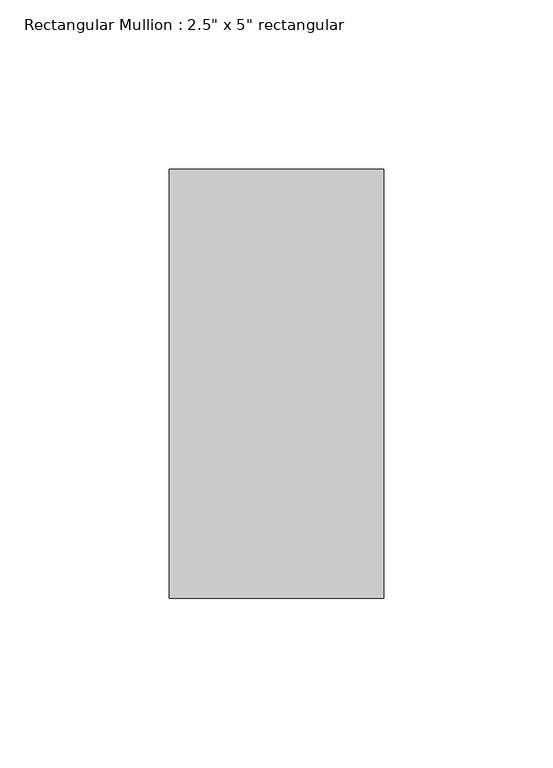
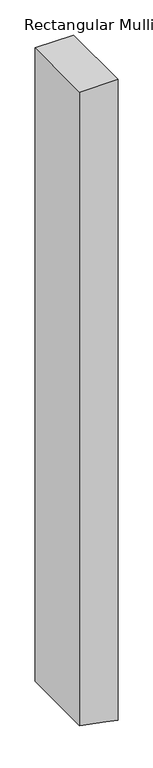
"""IFC4 building model written with IfcOpenShell, lengths in millimetres: member geometry."""

import ifcopenshell
import ifcopenshell.guid

model = None  # the IFC model being written
_history = None  # IfcOwnerHistory: only IFC2X3 demands one
_inside = {}  # id of a spatial element -> (the spatial element, [elements in it])
_under = {}  # id of a project, library or spatial element -> (it, [spatial elements below it])
_declared = {}  # id of a project -> (the project, [libraries it declares])
_typed = {}  # id of a type object -> (the type object, [elements of that type])
_made_of = {}  # id of a material, layer set ... -> (it, [elements and type objects made of it])


def new_model(schema):
    """Start an empty IFC model of exactly this schema.

    Asked for "IFC4X3", IfcOpenShell would pick the latest addendum, in which some entities
    have other attributes; the version numbers below select the first issue.
    IFC2X3 requires an IfcOwnerHistory on every rooted entity: one is made here for all.
    """
    global model, _history
    if schema == "IFC4X3":
        model = ifcopenshell.file(schema_version=(4, 3, 0, 0))
    else:
        model = ifcopenshell.file(schema=schema)
    _inside.clear()
    _under.clear()
    _declared.clear()
    _typed.clear()
    _made_of.clear()
    _history = None
    if model.schema == "IFC2X3":
        org = make("IfcOrganization", Name="unknown")
        user = make(
            "IfcPersonAndOrganization",
            ThePerson=make("IfcPerson", FamilyName="unknown"),
            TheOrganization=org,
        )
        app = make(
            "IfcApplication",
            ApplicationDeveloper=org,
            Version="unknown",
            ApplicationFullName="unknown",
            ApplicationIdentifier="unknown",
        )
        _history = make(
            "IfcOwnerHistory",
            OwningUser=user,
            OwningApplication=app,
            ChangeAction="ADDED",
            CreationDate=0,
        )
    return model


def make(cls, **values):
    """One entity of the class cls with the attributes given. An attribute that is None is left unset."""
    return model.create_entity(
        cls, **{name: value for name, value in values.items() if value is not None}
    )


def rooted(cls, **values):
    """An entity with a GlobalId (a new one), such as an element, a storey or a relation."""
    return make(cls, GlobalId=ifcopenshell.guid.new(), OwnerHistory=_history, **values)


def si_unit(unit_type, name, prefix=None):
    """IfcSIUnit, for example si_unit("LENGTHUNIT", "METRE", prefix="MILLI")."""
    return make("IfcSIUnit", UnitType=unit_type, Prefix=prefix, Name=name)


def assignment(units):
    """IfcUnitAssignment: the units of a project."""
    return None if units is None else make("IfcUnitAssignment", Units=units)


def point(xyz):
    """IfcCartesianPoint."""
    return None if xyz is None else make("IfcCartesianPoint", Coordinates=xyz)


def direction(xyz):
    """IfcDirection."""
    return None if xyz is None else make("IfcDirection", DirectionRatios=xyz)


def frame(location, z_axis=None, x_axis=None):
    """IfcAxis2Placement3D, a coordinate frame: its origin and axes. An axis left out is left unset."""
    return make(
        "IfcAxis2Placement3D",
        Location=point(location),
        Axis=direction(z_axis),
        RefDirection=direction(x_axis),
    )


def origin():
    """The frame at (0, 0, 0) with its axes left unset."""
    return frame((0.0, 0.0, 0.0))


def place(relative_to, where):
    """IfcLocalPlacement: puts the frame where relative to a parent placement (None: the world)."""
    return make(
        "IfcLocalPlacement", PlacementRelTo=relative_to, RelativePlacement=where
    )


def context(
    kind, dimensions, precision=None, world=None, true_north=None, identifier=None
):
    """IfcGeometricRepresentationContext, for example the 3D "Model" context."""
    return make(
        "IfcGeometricRepresentationContext",
        ContextIdentifier=identifier,
        ContextType=kind,
        CoordinateSpaceDimension=dimensions,
        Precision=precision,
        WorldCoordinateSystem=world,
        TrueNorth=true_north,
    )


def project(units=None, contexts=None):
    """IfcProject with its units and contexts."""
    return rooted(
        "IfcProject",
        Name="project",
        RepresentationContexts=contexts,
        UnitsInContext=assignment(units),
    )


def spatial(cls, under=None, at=None, **own):
    """A site, building, storey or space (cls), placed at a placement, below another one or the project."""
    s = rooted(cls, ObjectPlacement=at, **own)
    if under is not None:
        _under.setdefault(under.id(), (under, []))[1].append(s)
    return s


def polyline(points):
    """IfcPolyline through the points."""
    return make("IfcPolyline", Points=[point(p) for p in points])


def outline(outer, holes=None, kind="AREA"):
    """IfcArbitraryClosedProfileDef: a profile drawn as a closed curve; with holes, ...WithVoids."""
    if holes is None:
        return make("IfcArbitraryClosedProfileDef", ProfileType=kind, OuterCurve=outer)
    return make(
        "IfcArbitraryProfileDefWithVoids",
        ProfileType=kind,
        OuterCurve=outer,
        InnerCurves=holes,
    )


def extrude(swept, where, along, depth):
    """IfcExtrudedAreaSolid: the profile swept, set in the frame where, extruded along a direction by depth."""
    return make(
        "IfcExtrudedAreaSolid",
        SweptArea=swept,
        Position=where,
        ExtrudedDirection=direction(along),
        Depth=depth,
    )


def shape(context_of_items, identifier, shape_type, items):
    """IfcShapeRepresentation: the items that make up one representation, for example the "Body"."""
    return make(
        "IfcShapeRepresentation",
        ContextOfItems=context_of_items,
        RepresentationIdentifier=identifier,
        RepresentationType=shape_type,
        Items=items,
    )


def source(mapping_origin, context_of_items, identifier, shape_type, items):
    """IfcRepresentationMap: a shape defined once, which mapped items show again and again."""
    return make(
        "IfcRepresentationMap",
        MappingOrigin=mapping_origin,
        MappedRepresentation=shape(context_of_items, identifier, shape_type, items),
    )


def transform(
    local_origin,
    x_axis=None,
    y_axis=None,
    z_axis=None,
    scale=None,
    scale2=None,
    scale3=None,
    uniform=True,
):
    """IfcCartesianTransformationOperator3D, or its non-uniform kind. x_axis, y_axis, z_axis: its Axis1, 2, 3."""
    if uniform:
        return make(
            "IfcCartesianTransformationOperator3D",
            Axis1=direction(x_axis),
            Axis2=direction(y_axis),
            LocalOrigin=point(local_origin),
            Scale=scale,
            Axis3=direction(z_axis),
        )
    return make(
        "IfcCartesianTransformationOperator3DnonUniform",
        Axis1=direction(x_axis),
        Axis2=direction(y_axis),
        LocalOrigin=point(local_origin),
        Scale=scale,
        Axis3=direction(z_axis),
        Scale2=scale2,
        Scale3=scale3,
    )


def mapped(mapping_source, mapping_target):
    """IfcMappedItem: shows the shape of a source again, moved by a transform."""
    return make(
        "IfcMappedItem", MappingSource=mapping_source, MappingTarget=mapping_target
    )


def made_of(thing, what):
    """Note that an element or type object is made of a material, layer set ...; save() writes the relation."""
    if what is not None:
        _made_of.setdefault(what.id(), (what, []))[1].append(thing)
    return thing


def element(
    cls,
    number,
    at=None,
    inside=None,
    cuts=None,
    type_object=None,
    material=None,
    context=None,
    identifier="Body",
    shape_type=None,
    held_by="IfcProductDefinitionShape",
    body=None,
    shapes=None,
    **own,
):
    """One element of the class cls, such as IfcWall. Its Tag is "e" and its number.

    at: its placement. inside: the storey or other place that contains it. cuts: it is an
    opening in that element (IfcRelVoidsElement). A single representation is given by context,
    identifier, shape_type and body (its items); several are given by shapes. held_by: the class
    of the entity that holds the representations. save() writes the other relations.
    """
    e = rooted(cls, Tag="e%d" % number, ObjectPlacement=at, **own)
    if body is not None:
        shapes = [shape(context, identifier, shape_type, body)]
    if shapes is not None:
        e.Representation = make(held_by, Representations=shapes)
    if inside is not None:
        _inside.setdefault(inside.id(), (inside, []))[1].append(e)
    if cuts is not None:
        rooted(
            "IfcRelVoidsElement", RelatingBuildingElement=cuts, RelatedOpeningElement=e
        )
    if type_object is not None:
        _typed.setdefault(type_object.id(), (type_object, []))[1].append(e)
    return made_of(e, material)


def aggregate(whole, parts):
    """IfcRelAggregates: a whole, such as a stair, and the parts it consists of."""
    return rooted("IfcRelAggregates", RelatingObject=whole, RelatedObjects=parts)


def save(model, path):
    """Write the relations noted so far, then the file.

    IfcRelAggregates (storeys below a building ...), IfcRelContainedInSpatialStructure (elements
    in a storey), IfcRelDefinesByType, IfcRelAssociatesMaterial and IfcRelDeclares: one each for
    every whole, place, type object, material and project.
    """
    for whole, parts in _under.values():
        aggregate(whole, parts)
    for where, things in _inside.values():
        rooted(
            "IfcRelContainedInSpatialStructure",
            RelatedElements=things,
            RelatingStructure=where,
        )
    for kind, things in _typed.values():
        rooted("IfcRelDefinesByType", RelatedObjects=things, RelatingType=kind)
    for what, things in _made_of.values():
        rooted("IfcRelAssociatesMaterial", RelatedObjects=things, RelatingMaterial=what)
    for by, libraries in _declared.values():
        rooted("IfcRelDeclares", RelatingContext=by, RelatedDefinitions=libraries)
    model.write(path)


def member_cdaa1860(model_context):
    return source(origin(), model_context, "Body", "SweptSolid", [
        extrude(outline(polyline([(0.0, 31.75), (0.0, -31.75), (-1101.9158815, -31.75), (-1110.6019778, 12.2880417), (-1114.440669, 31.75), (0.0, 31.75)])), frame((0.0, -63.5, 0.0), z_axis=(0.0, 1.0, 0.0), x_axis=(0.0, 0.0, 1.0)), (0.0, 0.0, 1.0), 127.0),
    ])


if __name__ == "__main__":
    model = new_model("IFC4")
    model_context = context("Model", 3, world=origin())
    ifc_project = project(units=[si_unit("LENGTHUNIT", "METRE", prefix="MILLI")], contexts=[model_context])
    site = spatial("IfcSite", under=ifc_project)
    building = spatial("IfcBuilding", under=site)
    placement = place(None, origin())
    member_shape = member_cdaa1860(model_context)
    element("IfcMember", 1, ObjectType="Rectangular Mullion : 2.5\" x 5\" rectangular", at=placement, inside=building, context=model_context, shape_type="MappedRepresentation", body=[
        mapped(member_shape, transform((0.0, 0.0, 0.0), x_axis=(1.0, 0.0, 0.0), y_axis=(0.0, 1.0, 0.0), z_axis=(0.0, 0.0, 1.0))),
    ])
    save(model, "model.ifc")
